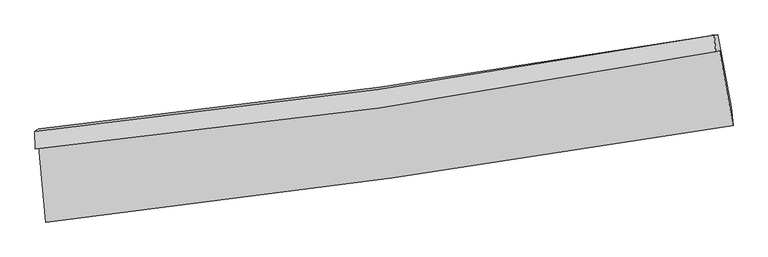
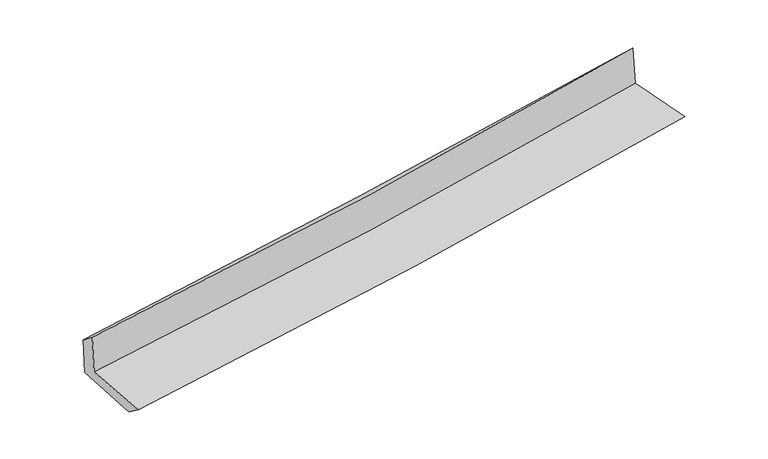
"""IFC4 building model written with IfcOpenShell, lengths in millimetres: proxy geometry."""

from ifc_helpers import new_model, si_unit, frame, origin, place, context, project, spatial, source, transform, mapped, element, save
from ifc_brep_helpers import plane_surface, spline_curve, spline_surface, advanced_brep


def generic_models_d4ad5be8(model_context):
    return source(origin(), model_context, "Body", "AdvancedBrep", [
        advanced_brep(
        [(-3050.9327763, -1907.9641151, 1640.3012871), (-2988.3032828, -2582.2523383, 1616.9772576), (3110.7406724, -1724.0761648, 2142.3598056), (2990.1775971, -1056.0979443, 2141.7237572), (-3082.2395989, -1929.7755221, 2039.9828311), (2957.8403448, -1068.4926745, 2540.3622904), (-3086.2742513, -1775.2680027, 1921.3936259), (2943.1597624, -921.886083, 2404.4003705), (-3057.1048507, -1752.4004802, 1546.247672), (2973.1730146, -917.1608087, 2048.5236474), (-2993.1069206, -2421.1775789, 1500.5253882), (3092.8558906, -1560.5778313, 2008.1736867)],
        [
            (0, 1),
            (1, 2, spline_curve(3, [(-2988.3032828, -2582.2523383, 1616.9772576), (-1960.962102906, -2465.035346573, 1695.814951273), (-935.940131811, -2334.392614141, 1779.312090145), (1097.018410808, -2048.009077468, 1954.552332821), (2105.011091325, -1892.593085533, 2046.182710351), (3110.7406724, -1724.0761648, 2142.3598056)], [4, 2, 4], [0.0, 10.154406972569495, 20.185227969353555])),
            (2, 3),
            (3, 0, spline_curve(3, [(2990.1775971, -1056.0979443, 2141.7237572), (1995.280986397, -1236.305307097, 2055.444640104), (997.506815653, -1397.082893678, 1970.765851199), (-1016.125298361, -1681.52000717, 1803.585350705), (-2032.05458584, -1804.697810903, 1721.123316397), (-3050.9327763, -1907.9641151, 1640.3012871)], [4, 2, 4], [0.0, 10.03082099678406, 20.185227969353555])),
            (4, 0),
            (3, 5),
            (5, 4, spline_curve(3, [(2957.8403448, -1068.4926745, 2540.3622904), (1963.6326592, -1258.824175013, 2463.442135487), (966.28988129, -1425.469967032, 2383.557334648), (-1046.992371338, -1713.151490424, 2216.837683852), (-2063.009574537, -1833.599980931, 2129.929331959), (-3082.2395989, -1929.7755221, 2039.9828311)], [4, 2, 4], [0.0, 9.9831927317667, 20.08938462936489])),
            (6, 4),
            (5, 7),
            (7, 6, spline_curve(3, [(2943.1597624, -921.886083, 2404.4003705), (1948.456011839, -1100.984328855, 2339.955417881), (951.740013318, -1261.32873165, 2267.776461585), (-1058.021434705, -1546.254336634, 2106.965962659), (-2071.116774079, -1670.370573294, 2018.142671069), (-3086.2742513, -1775.2680027, 1921.3936259)], [4, 2, 4], [0.0, 9.97282366065265, 20.068518733708434])),
            (8, 6),
            (7, 9),
            (9, 8, spline_curve(3, [(2973.1730146, -917.1608087, 2048.5236474), (1978.05798066, -1087.031045115, 1971.10386213), (981.065618673, -1241.239796458, 1890.811603092), (-1028.980458328, -1520.041315931, 1723.457495083), (-2042.080718218, -1644.245788916, 1636.32442939), (-3057.1048507, -1752.4004802, 1546.247672)], [4, 2, 4], [0.0, 9.961191210177557, 20.04511051370757])),
            (10, 8),
            (9, 11),
            (11, 10, spline_curve(3, [(3092.8558906, -1560.5778313, 2008.1736867), (2087.813834687, -1727.970864613, 1930.567293932), (1081.243808743, -1883.020971373, 1849.738931324), (-947.372578286, -2170.193572558, 1680.602714119), (-1969.456823227, -2302.010048526, 1592.214977182), (-2993.1069206, -2421.1775789, 1500.5253882)], [4, 2, 4], [0.0, 10.008405994706129, 20.140121798380946])),
            (1, 10),
            (11, 2),
        ],
        [
            spline_surface(3, 3, [[(-3050.9327763, -1907.9641151, 1640.3012871), (-2032.054585823, -1804.697810957, 1721.123316439), (-1016.125298517, -1681.520007226, 1803.585350765), (997.506815807, -1397.082893623, 1970.76585114), (1995.280986311, -1236.305307079, 2055.444640179), (2990.1775971, -1056.0979443, 2141.7237572)], [(-3030.056278454, -2132.726856151, 1632.526610598), (-2008.357091493, -2024.81032281, 1712.687194686), (-989.3969096, -1899.144209482, 1795.494263816), (1030.677347472, -1614.058288269, 1965.361345063), (2031.857688025, -1455.067899912, 2052.357330174), (3030.365288856, -1278.757351117, 2141.935773327)], [(-3009.179780646, -2357.489597249, 1624.751934102), (-1984.659597202, -2244.922834711, 1704.251072939), (-962.668520702, -2116.768411764, 1787.403176936), (1063.847879118, -1831.033682942, 1959.956839055), (2068.434389773, -1673.830492793, 2049.270020188), (3070.552980644, -1501.416757983, 2142.147789473)], [(-2988.3032828, -2582.2523383, 1616.9772576), (-1960.962102872, -2465.035346564, 1695.814951186), (-935.940131785, -2334.39261402, 1779.312089987), (1097.018410783, -2048.009077588, 1954.552332978), (2105.011091488, -1892.593085625, 2046.182710184), (3110.7406724, -1724.0761648, 2142.3598056)]], [4, 4], [4, 2, 4], [0.0, 2.1600103450009165], [0.0, 10.154406972569495, 20.185227969353555]),
            spline_surface(3, 3, [[(-3082.2395989, -1929.7755221, 2039.9828311), (-2063.009574615, -1833.599981095, 2129.929331803), (-1046.9923714, -1713.151490439, 2216.837684003), (966.289881351, -1425.469967017, 2383.557334499), (1963.632659348, -1258.824175172, 2463.442135401), (2957.8403448, -1068.4926745, 2540.3622904)], [(-3071.803991354, -1922.505053102, 1906.75564975), (-2052.691245005, -1823.965924385, 1993.660659998), (-1036.703347122, -1702.607662707, 2079.08690626), (976.695526153, -1416.007609225, 2245.960173382), (1974.182101667, -1251.317885829, 2327.442970311), (2968.619428897, -1064.361097788, 2407.482779318)], [(-3061.368383846, -1915.234584098, 1773.52846845), (-2042.372915433, -1814.331867667, 1857.391988244), (-1026.414322795, -1692.063834958, 1941.336128508), (987.101171005, -1406.545251415, 2108.363012257), (1984.731543993, -1243.811596422, 2191.443805269), (2979.398513003, -1060.229521012, 2274.603268282)], [(-3050.9327763, -1907.9641151, 1640.3012871), (-2032.054585823, -1804.697810957, 1721.123316439), (-1016.125298517, -1681.520007226, 1803.585350765), (997.506815807, -1397.082893623, 1970.76585114), (1995.280986311, -1236.305307079, 2055.444640179), (2990.1775971, -1056.0979443, 2141.7237572)]], [4, 4], [4, 2, 4], [0.0, 1.36245421494106], [0.0, 10.10619189759819, 20.08938462936489]),
            spline_surface(3, 3, [[(-3086.2742513, -1775.2680027, 1921.3936259), (-2071.116774219, -1670.370573395, 2018.14267114), (-1058.021434764, -1546.254336542, 2106.965962783), (951.740013376, -1261.328731741, 2267.776461462), (1948.45601183, -1100.984328722, 2339.955418023), (2943.1597624, -921.886083, 2404.4003705)], [(-3084.929367191, -1826.770509168, 1960.923360973), (-2068.414374376, -1724.780375963, 2055.404891367), (-1054.345080297, -1601.886721161, 2143.589869851), (956.58996938, -1316.042476819, 2306.370085803), (1953.514894327, -1153.597610871, 2381.117657157), (2948.053289857, -970.754946833, 2449.721010474)], [(-3083.584483009, -1878.273015632, 2000.453096027), (-2065.711974459, -1779.190178527, 2092.667111576), (-1050.668725867, -1657.51910582, 2180.213776935), (961.439925347, -1370.756221939, 2344.963710159), (1958.573776852, -1206.210893022, 2422.279896267), (2952.946817343, -1019.623810667, 2495.041650426)], [(-3082.2395989, -1929.7755221, 2039.9828311), (-2063.009574615, -1833.599981095, 2129.929331803), (-1046.9923714, -1713.151490439, 2216.837684003), (966.289881351, -1425.469967017, 2383.557334499), (1963.632659348, -1258.824175172, 2463.442135401), (2957.8403448, -1068.4926745, 2540.3622904)]], [4, 4], [4, 2, 4], [0.0, 0.6585157578597287], [0.0, 10.095695073055783, 20.068518733708434]),
            spline_surface(3, 3, [[(-3057.1048507, -1752.4004802, 1546.247672), (-2042.080718315, -1644.245788855, 1636.324429226), (-1028.980458377, -1520.041316083, 1723.457495209), (981.065618721, -1241.239796308, 1890.811602968), (1978.057980542, -1087.031045263, 1971.103862109), (2973.1730146, -917.1608087, 2048.5236474)], [(-3066.827984211, -1760.022987707, 1671.296323296), (-2051.759403594, -1652.954050376, 1763.597176527), (-1038.660783842, -1528.778989583, 1851.2936511), (971.290416936, -1247.936108133, 2016.466555833), (1968.190657651, -1091.68213975, 2094.054380737), (2963.168597214, -918.735900135, 2167.149221756)], [(-3076.551117789, -1767.645495193, 1796.344974604), (-2061.43808894, -1661.662311874, 1890.869923839), (-1048.341109299, -1537.516663041, 1979.129806892), (961.51521516, -1254.632419916, 2142.121508598), (1958.323334721, -1096.333234234, 2217.004899395), (2953.164179786, -920.310991565, 2285.774796144)], [(-3086.2742513, -1775.2680027, 1921.3936259), (-2071.116774219, -1670.370573395, 2018.14267114), (-1058.021434764, -1546.254336542, 2106.965962783), (951.740013376, -1261.328731741, 2267.776461462), (1948.45601183, -1100.984328722, 2339.955418023), (2943.1597624, -921.886083, 2404.4003705)]], [4, 4], [4, 2, 4], [0.0, 1.253603818302413], [0.0, 10.083919303530013, 20.04511051370757]),
            spline_surface(3, 3, [[(-2993.1069206, -2421.1775789, 1500.5253882), (-1969.456823137, -2302.010048479, 1592.214977305), (-947.372578455, -2170.193572616, 1680.602714184), (1081.24380891, -1883.020971316, 1849.73893126), (2087.81383465, -1727.970864674, 1930.567293843), (3092.8558906, -1560.5778313, 2008.1736867)], [(-3014.439563973, -2198.25187932, 1515.766149488), (-1993.664788203, -2082.755295257, 1606.918127967), (-974.575205096, -1953.476153763, 1694.887641161), (1047.851078846, -1669.093912971, 1863.429821798), (2051.228549957, -1514.324258196, 1944.079483271), (3052.961598609, -1346.105490426, 2021.623673607)], [(-3035.772207327, -1975.32617978, 1531.006910712), (-2017.87275325, -1863.500542077, 1621.621278564), (-1001.777831736, -1736.758734936, 1709.172568232), (1014.458348784, -1455.166854652, 1877.12071243), (2014.643265235, -1300.677651741, 1957.59167268), (3013.067306591, -1131.633149574, 2035.073660493)], [(-3057.1048507, -1752.4004802, 1546.247672), (-2042.080718315, -1644.245788855, 1636.324429226), (-1028.980458377, -1520.041316083, 1723.457495209), (981.065618721, -1241.239796308, 1890.811602968), (1978.057980542, -1087.031045263, 1971.103862109), (2973.1730146, -917.1608087, 2048.5236474)]], [4, 4], [4, 2, 4], [0.0, 2.144732172424169], [0.0, 10.131715803674817, 20.140121798380946]),
            spline_surface(3, 3, [[(-2988.3032828, -2582.2523383, 1616.9772576), (-1960.962102872, -2465.035346564, 1695.814951186), (-935.940131785, -2334.39261402, 1779.312089987), (1097.018410783, -2048.009077588, 1954.552332978), (2105.011091488, -1892.593085625, 2046.182710184), (3110.7406724, -1724.0761648, 2142.3598056)], [(-2989.904495417, -2528.560751852, 1578.159967795), (-1963.793676311, -2410.693580554, 1661.281626554), (-939.750947341, -2279.659600229, 1746.408964742), (1091.76021016, -1993.013042175, 1919.614532428), (2099.278672542, -1837.719011976, 2007.644238088), (3104.779078467, -1669.576720301, 2097.631099318)], [(-2991.505707983, -2474.869165348, 1539.342678005), (-1966.625249698, -2356.351814489, 1626.748301937), (-943.561762899, -2224.926586406, 1713.505839428), (1086.502009533, -1938.017006729, 1884.676731809), (2093.546253596, -1782.844938323, 1969.105765939), (3098.817484533, -1615.077275799, 2052.902392982)], [(-2993.1069206, -2421.1775789, 1500.5253882), (-1969.456823137, -2302.010048479, 1592.214977305), (-947.372578455, -2170.193572616, 1680.602714184), (1081.24380891, -1883.020971316, 1849.73893126), (2087.81383465, -1727.970864674, 1930.567293843), (3092.8558906, -1560.5778313, 2008.1736867)]], [4, 4], [4, 2, 4], [0.0, 0.6363621139869614], [0.0, 10.191662694622822, 20.25928598621665]),
            plane_surface(frame((3011.324547, -1208.0485844, 2214.2572596), z_axis=(0.9805198549175563, 0.17705454701969772, 0.08504411497631083), x_axis=(-0.08403040464139265, -0.013229712983953345, 0.9963753639016604))),
            plane_surface(frame((-3042.9936134, -2061.4730062, 1710.904677), z_axis=(-0.992568852533871, -0.08933419455030261, -0.0826224827976248), x_axis=(-0.09242949014732788, 0.9951240726472482, 0.03442193180313106))),
        ],
        [
            (0, [[1, 2, 3, 4]]),
            (1, [[5, -4, 6, 7]]),
            (2, [[8, -7, 9, 10]]),
            (3, [[11, -10, 12, 13]]),
            (4, [[14, -13, 15, 16]]),
            (5, [[17, -16, 18, -2]]),
            (6, [[-12, -9, -6, -3, -18, -15]]),
            (7, [[-1, -5, -8, -11, -14, -17]]),
        ],
    ),
    ])


if __name__ == "__main__":
    model = new_model("IFC4")
    model_context = context("Model", 3, world=origin())
    ifc_project = project(units=[si_unit("LENGTHUNIT", "METRE", prefix="MILLI")], contexts=[model_context])
    site = spatial("IfcSite", under=ifc_project)
    building = spatial("IfcBuilding", under=site)
    placement = place(None, origin())
    generic_models_shape = generic_models_d4ad5be8(model_context)
    element("IfcBuildingElementProxy", 1, Name="Generic Models", at=placement, inside=building, context=model_context, shape_type="MappedRepresentation", body=[
        mapped(generic_models_shape, transform((0.0, 0.0, 0.0), x_axis=(1.0, 0.0, 0.0), y_axis=(0.0, 1.0, 0.0), z_axis=(0.0, 0.0, 1.0))),
    ])
    save(model, "model.ifc")
